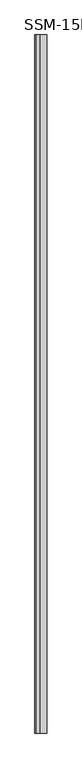
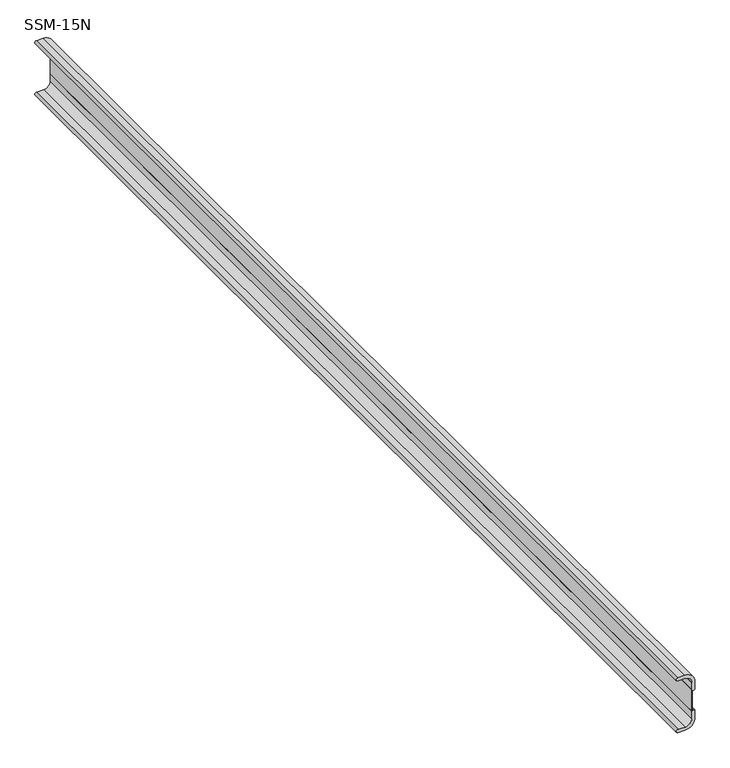
"""IFC4 building model written with IfcOpenShell, lengths in millimetres: proxy geometry, SSM-15N."""

import ifcopenshell
import ifcopenshell.guid

model = None  # the IFC model being written
_history = None  # IfcOwnerHistory: only IFC2X3 demands one
_inside = {}  # id of a spatial element -> (the spatial element, [elements in it])
_under = {}  # id of a project, library or spatial element -> (it, [spatial elements below it])
_declared = {}  # id of a project -> (the project, [libraries it declares])
_typed = {}  # id of a type object -> (the type object, [elements of that type])
_made_of = {}  # id of a material, layer set ... -> (it, [elements and type objects made of it])


def new_model(schema):
    """Start an empty IFC model of exactly this schema.

    Asked for "IFC4X3", IfcOpenShell would pick the latest addendum, in which some entities
    have other attributes; the version numbers below select the first issue.
    IFC2X3 requires an IfcOwnerHistory on every rooted entity: one is made here for all.
    """
    global model, _history
    if schema == "IFC4X3":
        model = ifcopenshell.file(schema_version=(4, 3, 0, 0))
    else:
        model = ifcopenshell.file(schema=schema)
    _inside.clear()
    _under.clear()
    _declared.clear()
    _typed.clear()
    _made_of.clear()
    _history = None
    if model.schema == "IFC2X3":
        org = make("IfcOrganization", Name="unknown")
        user = make(
            "IfcPersonAndOrganization",
            ThePerson=make("IfcPerson", FamilyName="unknown"),
            TheOrganization=org,
        )
        app = make(
            "IfcApplication",
            ApplicationDeveloper=org,
            Version="unknown",
            ApplicationFullName="unknown",
            ApplicationIdentifier="unknown",
        )
        _history = make(
            "IfcOwnerHistory",
            OwningUser=user,
            OwningApplication=app,
            ChangeAction="ADDED",
            CreationDate=0,
        )
    return model


def make(cls, **values):
    """One entity of the class cls with the attributes given. An attribute that is None is left unset."""
    return model.create_entity(
        cls, **{name: value for name, value in values.items() if value is not None}
    )


def rooted(cls, **values):
    """An entity with a GlobalId (a new one), such as an element, a storey or a relation."""
    return make(cls, GlobalId=ifcopenshell.guid.new(), OwnerHistory=_history, **values)


def si_unit(unit_type, name, prefix=None):
    """IfcSIUnit, for example si_unit("LENGTHUNIT", "METRE", prefix="MILLI")."""
    return make("IfcSIUnit", UnitType=unit_type, Prefix=prefix, Name=name)


def assignment(units):
    """IfcUnitAssignment: the units of a project."""
    return None if units is None else make("IfcUnitAssignment", Units=units)


def point(xyz):
    """IfcCartesianPoint."""
    return None if xyz is None else make("IfcCartesianPoint", Coordinates=xyz)


def direction(xyz):
    """IfcDirection."""
    return None if xyz is None else make("IfcDirection", DirectionRatios=xyz)


def frame(location, z_axis=None, x_axis=None):
    """IfcAxis2Placement3D, a coordinate frame: its origin and axes. An axis left out is left unset."""
    return make(
        "IfcAxis2Placement3D",
        Location=point(location),
        Axis=direction(z_axis),
        RefDirection=direction(x_axis),
    )


def frame_2d(location, x_axis=None):
    """IfcAxis2Placement2D, a coordinate frame in the plane: its origin and x axis."""
    return make(
        "IfcAxis2Placement2D", Location=point(location), RefDirection=direction(x_axis)
    )


def origin():
    """The frame at (0, 0, 0) with its axes left unset."""
    return frame((0.0, 0.0, 0.0))


def place(relative_to, where):
    """IfcLocalPlacement: puts the frame where relative to a parent placement (None: the world)."""
    return make(
        "IfcLocalPlacement", PlacementRelTo=relative_to, RelativePlacement=where
    )


def context(
    kind, dimensions, precision=None, world=None, true_north=None, identifier=None
):
    """IfcGeometricRepresentationContext, for example the 3D "Model" context."""
    return make(
        "IfcGeometricRepresentationContext",
        ContextIdentifier=identifier,
        ContextType=kind,
        CoordinateSpaceDimension=dimensions,
        Precision=precision,
        WorldCoordinateSystem=world,
        TrueNorth=true_north,
    )


def project(units=None, contexts=None):
    """IfcProject with its units and contexts."""
    return rooted(
        "IfcProject",
        Name="project",
        RepresentationContexts=contexts,
        UnitsInContext=assignment(units),
    )


def spatial(cls, under=None, at=None, **own):
    """A site, building, storey or space (cls), placed at a placement, below another one or the project."""
    s = rooted(cls, ObjectPlacement=at, **own)
    if under is not None:
        _under.setdefault(under.id(), (under, []))[1].append(s)
    return s


def polyline(points):
    """IfcPolyline through the points."""
    return make("IfcPolyline", Points=[point(p) for p in points])


def circle_curve(where, radius):
    """IfcCircle in the frame where."""
    return make("IfcCircle", Position=where, Radius=radius)


def trimmed(basis, trim1, trim2, sense, master):
    """IfcTrimmedCurve: the piece of a basis curve between two trims."""
    return make(
        "IfcTrimmedCurve",
        BasisCurve=basis,
        Trim1=trim1,
        Trim2=trim2,
        SenseAgreement=sense,
        MasterRepresentation=master,
    )


def segment(curve, same_sense, transition):
    """IfcCompositeCurveSegment."""
    return make(
        "IfcCompositeCurveSegment",
        Transition=transition,
        SameSense=same_sense,
        ParentCurve=curve,
    )


def composite_curve(segments, self_intersect=None):
    """IfcCompositeCurve: segments joined end to end."""
    return make("IfcCompositeCurve", Segments=segments, SelfIntersect=self_intersect)


def outline(outer, holes=None, kind="AREA"):
    """IfcArbitraryClosedProfileDef: a profile drawn as a closed curve; with holes, ...WithVoids."""
    if holes is None:
        return make("IfcArbitraryClosedProfileDef", ProfileType=kind, OuterCurve=outer)
    return make(
        "IfcArbitraryProfileDefWithVoids",
        ProfileType=kind,
        OuterCurve=outer,
        InnerCurves=holes,
    )


def extrude(swept, where, along, depth):
    """IfcExtrudedAreaSolid: the profile swept, set in the frame where, extruded along a direction by depth."""
    return make(
        "IfcExtrudedAreaSolid",
        SweptArea=swept,
        Position=where,
        ExtrudedDirection=direction(along),
        Depth=depth,
    )


def shape(context_of_items, identifier, shape_type, items):
    """IfcShapeRepresentation: the items that make up one representation, for example the "Body"."""
    return make(
        "IfcShapeRepresentation",
        ContextOfItems=context_of_items,
        RepresentationIdentifier=identifier,
        RepresentationType=shape_type,
        Items=items,
    )


def source(mapping_origin, context_of_items, identifier, shape_type, items):
    """IfcRepresentationMap: a shape defined once, which mapped items show again and again."""
    return make(
        "IfcRepresentationMap",
        MappingOrigin=mapping_origin,
        MappedRepresentation=shape(context_of_items, identifier, shape_type, items),
    )


def transform(
    local_origin,
    x_axis=None,
    y_axis=None,
    z_axis=None,
    scale=None,
    scale2=None,
    scale3=None,
    uniform=True,
):
    """IfcCartesianTransformationOperator3D, or its non-uniform kind. x_axis, y_axis, z_axis: its Axis1, 2, 3."""
    if uniform:
        return make(
            "IfcCartesianTransformationOperator3D",
            Axis1=direction(x_axis),
            Axis2=direction(y_axis),
            LocalOrigin=point(local_origin),
            Scale=scale,
            Axis3=direction(z_axis),
        )
    return make(
        "IfcCartesianTransformationOperator3DnonUniform",
        Axis1=direction(x_axis),
        Axis2=direction(y_axis),
        LocalOrigin=point(local_origin),
        Scale=scale,
        Axis3=direction(z_axis),
        Scale2=scale2,
        Scale3=scale3,
    )


def mapped(mapping_source, mapping_target):
    """IfcMappedItem: shows the shape of a source again, moved by a transform."""
    return make(
        "IfcMappedItem", MappingSource=mapping_source, MappingTarget=mapping_target
    )


def made_of(thing, what):
    """Note that an element or type object is made of a material, layer set ...; save() writes the relation."""
    if what is not None:
        _made_of.setdefault(what.id(), (what, []))[1].append(thing)
    return thing


def element(
    cls,
    number,
    at=None,
    inside=None,
    cuts=None,
    type_object=None,
    material=None,
    context=None,
    identifier="Body",
    shape_type=None,
    held_by="IfcProductDefinitionShape",
    body=None,
    shapes=None,
    **own,
):
    """One element of the class cls, such as IfcWall. Its Tag is "e" and its number.

    at: its placement. inside: the storey or other place that contains it. cuts: it is an
    opening in that element (IfcRelVoidsElement). A single representation is given by context,
    identifier, shape_type and body (its items); several are given by shapes. held_by: the class
    of the entity that holds the representations. save() writes the other relations.
    """
    e = rooted(cls, Tag="e%d" % number, ObjectPlacement=at, **own)
    if body is not None:
        shapes = [shape(context, identifier, shape_type, body)]
    if shapes is not None:
        e.Representation = make(held_by, Representations=shapes)
    if inside is not None:
        _inside.setdefault(inside.id(), (inside, []))[1].append(e)
    if cuts is not None:
        rooted(
            "IfcRelVoidsElement", RelatingBuildingElement=cuts, RelatedOpeningElement=e
        )
    if type_object is not None:
        _typed.setdefault(type_object.id(), (type_object, []))[1].append(e)
    return made_of(e, material)


def aggregate(whole, parts):
    """IfcRelAggregates: a whole, such as a stair, and the parts it consists of."""
    return rooted("IfcRelAggregates", RelatingObject=whole, RelatedObjects=parts)


def save(model, path):
    """Write the relations noted so far, then the file.

    IfcRelAggregates (storeys below a building ...), IfcRelContainedInSpatialStructure (elements
    in a storey), IfcRelDefinesByType, IfcRelAssociatesMaterial and IfcRelDeclares: one each for
    every whole, place, type object, material and project.
    """
    for whole, parts in _under.values():
        aggregate(whole, parts)
    for where, things in _inside.values():
        rooted(
            "IfcRelContainedInSpatialStructure",
            RelatedElements=things,
            RelatingStructure=where,
        )
    for kind, things in _typed.values():
        rooted("IfcRelDefinesByType", RelatedObjects=things, RelatingType=kind)
    for what, things in _made_of.values():
        rooted("IfcRelAssociatesMaterial", RelatedObjects=things, RelatingMaterial=what)
    for by, libraries in _declared.values():
        rooted("IfcRelDeclares", RelatingContext=by, RelatedDefinitions=libraries)
    model.write(path)


def ssm_15n_ae740bad(model_context):
    return source(origin(), model_context, "Body", "SweptSolid", [
        extrude(outline(composite_curve([segment(polyline([(-121.1067217, 8.8347826), (-102.2407749, 8.8347856)]), True, "CONTINUOUS"), segment(trimmed(circle_curve(frame_2d((-102.2407742, 4.3713782)), 4.4634073), [point((-102.2407749, 8.8347856))], [point((-101.339078, -1e-07))], False, "CARTESIAN"), True, "CONTINUOUS"), segment(polyline([(-101.339078, -1e-07), (-121.5242755, -1e-07)]), True, "CONTINUOUS"), segment(trimmed(circle_curve(frame_2d((-121.5242755, -18.1757246)), 18.1757245), [point((-121.5242755, -1e-07))], [point((-139.7, -18.1757246))], True, "CARTESIAN"), True, "CONTINUOUS"), segment(polyline([(-139.7, -18.1757246), (-139.7, -36.8392755)]), True, "CONTINUOUS"), segment(trimmed(circle_curve(frame_2d((-144.1139608, -37.5018109)), 4.4634071), [point((-139.7, -36.8392755))], [point((-148.5773679, -37.5018109))], False, "CARTESIAN"), True, "CONTINUOUS"), segment(polyline([(-148.5773679, -37.5018109), (-148.5773679, -18.6358681)]), True, "CONTINUOUS"), segment(trimmed(circle_curve(frame_2d((-121.1067171, -18.6358681)), 27.4706507), [point((-148.5773679, -18.6358681))], [point((-121.1067217, 8.8347826))], False, "CARTESIAN"), True, "CONTINUOUS")], self_intersect=False)), frame((0.0, -1141.4125, 0.0), z_axis=(0.0, 1.0, 0.0), x_axis=(0.0, 0.0, 1.0)), (0.0, 0.0, 1.0), 3021.0125),
        extrude(outline(composite_curve([segment(trimmed(circle_curve(frame_2d((4.4634077, -37.5018111)), 4.4634078), [point((8.9268116, -37.4959188))], [point((0.0494463, -36.8392756))], False, "CARTESIAN"), True, "CONTINUOUS"), segment(polyline([(0.0494463, -36.8392756), (0.0494463, -18.1757246)]), True, "CONTINUOUS"), segment(trimmed(circle_curve(frame_2d((-18.1262784, -18.1757246)), 18.1757246), [point((0.0494463, -18.1757246))], [point((-18.1262784, 0.0))], True, "CARTESIAN"), True, "CONTINUOUS"), segment(polyline([(-18.1262784, 0.0), (-38.3114909, 0.0)]), True, "CONTINUOUS"), segment(trimmed(circle_curve(frame_2d((-37.409782, 4.3713755)), 4.4634071), [point((-38.3114909, 0.0))], [point((-37.409782, 8.8347826))], False, "CARTESIAN"), True, "CONTINUOUS"), segment(polyline([(-37.409782, 8.8347826), (-18.5438391, 8.8347826)]), True, "CONTINUOUS"), segment(trimmed(circle_curve(frame_2d((-18.5438391, -18.6358681)), 27.4706507), [point((-18.5438391, 8.8347826))], [point((8.9268116, -18.6358681))], False, "CARTESIAN"), True, "CONTINUOUS"), segment(polyline([(8.9268116, -18.6358681), (8.9268116, -37.4959188)]), True, "CONTINUOUS")], self_intersect=False)), frame((0.0, -1141.4125, 0.0), z_axis=(0.0, 1.0, 0.0), x_axis=(0.0, 0.0, 1.0)), (0.0, 0.0, 1.0), 3021.0125),
        extrude(outline(polyline([(0.9921875, -1141.4125), (0.0, -1141.4125), (0.0, 1879.6), (0.9921875, 1879.6), (0.9921875, -1141.4125)])), frame((0.0, 0.0, -121.5242755), z_axis=(0.0, 0.0, 1.0), x_axis=(1.0, 0.0, 0.0)), (0.0, 0.0, 1.0), 103.3979971),
    ])


if __name__ == "__main__":
    model = new_model("IFC4")
    model_context = context("Model", 3, world=origin())
    ifc_project = project(units=[si_unit("LENGTHUNIT", "METRE", prefix="MILLI")], contexts=[model_context])
    site = spatial("IfcSite", under=ifc_project)
    building = spatial("IfcBuilding", under=site)
    placement = place(None, origin())
    ssm_15n_shape = ssm_15n_ae740bad(model_context)
    element("IfcBuildingElementProxy", 1, Name="SSM-15N", ObjectType="SSM-15N", at=placement, inside=building, context=model_context, shape_type="MappedRepresentation", body=[
        mapped(ssm_15n_shape, transform((0.0, 0.0, 0.0), x_axis=(1.0, 0.0, 0.0), y_axis=(0.0, 1.0, 0.0), z_axis=(0.0, 0.0, 1.0))),
    ])
    save(model, "model.ifc")
